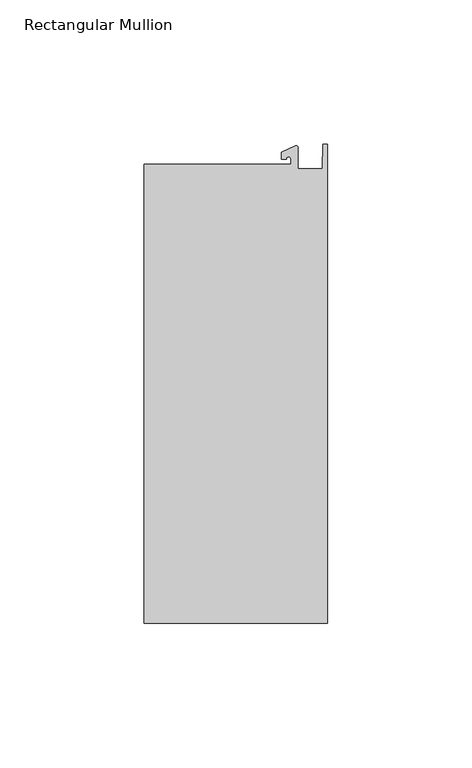
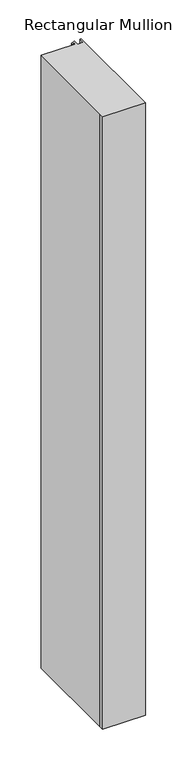
"""IFC4 building model written with IfcOpenShell, lengths in millimetres: member geometry, Rectangular Mullion."""

import ifcopenshell
import ifcopenshell.guid

model = None  # the IFC model being written
_history = None  # IfcOwnerHistory: only IFC2X3 demands one
_inside = {}  # id of a spatial element -> (the spatial element, [elements in it])
_under = {}  # id of a project, library or spatial element -> (it, [spatial elements below it])
_declared = {}  # id of a project -> (the project, [libraries it declares])
_typed = {}  # id of a type object -> (the type object, [elements of that type])
_made_of = {}  # id of a material, layer set ... -> (it, [elements and type objects made of it])


def new_model(schema):
    """Start an empty IFC model of exactly this schema.

    Asked for "IFC4X3", IfcOpenShell would pick the latest addendum, in which some entities
    have other attributes; the version numbers below select the first issue.
    IFC2X3 requires an IfcOwnerHistory on every rooted entity: one is made here for all.
    """
    global model, _history
    if schema == "IFC4X3":
        model = ifcopenshell.file(schema_version=(4, 3, 0, 0))
    else:
        model = ifcopenshell.file(schema=schema)
    _inside.clear()
    _under.clear()
    _declared.clear()
    _typed.clear()
    _made_of.clear()
    _history = None
    if model.schema == "IFC2X3":
        org = make("IfcOrganization", Name="unknown")
        user = make(
            "IfcPersonAndOrganization",
            ThePerson=make("IfcPerson", FamilyName="unknown"),
            TheOrganization=org,
        )
        app = make(
            "IfcApplication",
            ApplicationDeveloper=org,
            Version="unknown",
            ApplicationFullName="unknown",
            ApplicationIdentifier="unknown",
        )
        _history = make(
            "IfcOwnerHistory",
            OwningUser=user,
            OwningApplication=app,
            ChangeAction="ADDED",
            CreationDate=0,
        )
    return model


def make(cls, **values):
    """One entity of the class cls with the attributes given. An attribute that is None is left unset."""
    return model.create_entity(
        cls, **{name: value for name, value in values.items() if value is not None}
    )


def rooted(cls, **values):
    """An entity with a GlobalId (a new one), such as an element, a storey or a relation."""
    return make(cls, GlobalId=ifcopenshell.guid.new(), OwnerHistory=_history, **values)


def si_unit(unit_type, name, prefix=None):
    """IfcSIUnit, for example si_unit("LENGTHUNIT", "METRE", prefix="MILLI")."""
    return make("IfcSIUnit", UnitType=unit_type, Prefix=prefix, Name=name)


def assignment(units):
    """IfcUnitAssignment: the units of a project."""
    return None if units is None else make("IfcUnitAssignment", Units=units)


def point(xyz):
    """IfcCartesianPoint."""
    return None if xyz is None else make("IfcCartesianPoint", Coordinates=xyz)


def direction(xyz):
    """IfcDirection."""
    return None if xyz is None else make("IfcDirection", DirectionRatios=xyz)


def frame(location, z_axis=None, x_axis=None):
    """IfcAxis2Placement3D, a coordinate frame: its origin and axes. An axis left out is left unset."""
    return make(
        "IfcAxis2Placement3D",
        Location=point(location),
        Axis=direction(z_axis),
        RefDirection=direction(x_axis),
    )


def frame_2d(location, x_axis=None):
    """IfcAxis2Placement2D, a coordinate frame in the plane: its origin and x axis."""
    return make(
        "IfcAxis2Placement2D", Location=point(location), RefDirection=direction(x_axis)
    )


def origin():
    """The frame at (0, 0, 0) with its axes left unset."""
    return frame((0.0, 0.0, 0.0))


def place(relative_to, where):
    """IfcLocalPlacement: puts the frame where relative to a parent placement (None: the world)."""
    return make(
        "IfcLocalPlacement", PlacementRelTo=relative_to, RelativePlacement=where
    )


def context(
    kind, dimensions, precision=None, world=None, true_north=None, identifier=None
):
    """IfcGeometricRepresentationContext, for example the 3D "Model" context."""
    return make(
        "IfcGeometricRepresentationContext",
        ContextIdentifier=identifier,
        ContextType=kind,
        CoordinateSpaceDimension=dimensions,
        Precision=precision,
        WorldCoordinateSystem=world,
        TrueNorth=true_north,
    )


def project(units=None, contexts=None):
    """IfcProject with its units and contexts."""
    return rooted(
        "IfcProject",
        Name="project",
        RepresentationContexts=contexts,
        UnitsInContext=assignment(units),
    )


def spatial(cls, under=None, at=None, **own):
    """A site, building, storey or space (cls), placed at a placement, below another one or the project."""
    s = rooted(cls, ObjectPlacement=at, **own)
    if under is not None:
        _under.setdefault(under.id(), (under, []))[1].append(s)
    return s


def polyline(points):
    """IfcPolyline through the points."""
    return make("IfcPolyline", Points=[point(p) for p in points])


def circle_curve(where, radius):
    """IfcCircle in the frame where."""
    return make("IfcCircle", Position=where, Radius=radius)


def trimmed(basis, trim1, trim2, sense, master):
    """IfcTrimmedCurve: the piece of a basis curve between two trims."""
    return make(
        "IfcTrimmedCurve",
        BasisCurve=basis,
        Trim1=trim1,
        Trim2=trim2,
        SenseAgreement=sense,
        MasterRepresentation=master,
    )


def segment(curve, same_sense, transition):
    """IfcCompositeCurveSegment."""
    return make(
        "IfcCompositeCurveSegment",
        Transition=transition,
        SameSense=same_sense,
        ParentCurve=curve,
    )


def composite_curve(segments, self_intersect=None):
    """IfcCompositeCurve: segments joined end to end."""
    return make("IfcCompositeCurve", Segments=segments, SelfIntersect=self_intersect)


def outline(outer, holes=None, kind="AREA"):
    """IfcArbitraryClosedProfileDef: a profile drawn as a closed curve; with holes, ...WithVoids."""
    if holes is None:
        return make("IfcArbitraryClosedProfileDef", ProfileType=kind, OuterCurve=outer)
    return make(
        "IfcArbitraryProfileDefWithVoids",
        ProfileType=kind,
        OuterCurve=outer,
        InnerCurves=holes,
    )


def extrude(swept, where, along, depth):
    """IfcExtrudedAreaSolid: the profile swept, set in the frame where, extruded along a direction by depth."""
    return make(
        "IfcExtrudedAreaSolid",
        SweptArea=swept,
        Position=where,
        ExtrudedDirection=direction(along),
        Depth=depth,
    )


def shape(context_of_items, identifier, shape_type, items):
    """IfcShapeRepresentation: the items that make up one representation, for example the "Body"."""
    return make(
        "IfcShapeRepresentation",
        ContextOfItems=context_of_items,
        RepresentationIdentifier=identifier,
        RepresentationType=shape_type,
        Items=items,
    )


def source(mapping_origin, context_of_items, identifier, shape_type, items):
    """IfcRepresentationMap: a shape defined once, which mapped items show again and again."""
    return make(
        "IfcRepresentationMap",
        MappingOrigin=mapping_origin,
        MappedRepresentation=shape(context_of_items, identifier, shape_type, items),
    )


def transform(
    local_origin,
    x_axis=None,
    y_axis=None,
    z_axis=None,
    scale=None,
    scale2=None,
    scale3=None,
    uniform=True,
):
    """IfcCartesianTransformationOperator3D, or its non-uniform kind. x_axis, y_axis, z_axis: its Axis1, 2, 3."""
    if uniform:
        return make(
            "IfcCartesianTransformationOperator3D",
            Axis1=direction(x_axis),
            Axis2=direction(y_axis),
            LocalOrigin=point(local_origin),
            Scale=scale,
            Axis3=direction(z_axis),
        )
    return make(
        "IfcCartesianTransformationOperator3DnonUniform",
        Axis1=direction(x_axis),
        Axis2=direction(y_axis),
        LocalOrigin=point(local_origin),
        Scale=scale,
        Axis3=direction(z_axis),
        Scale2=scale2,
        Scale3=scale3,
    )


def mapped(mapping_source, mapping_target):
    """IfcMappedItem: shows the shape of a source again, moved by a transform."""
    return make(
        "IfcMappedItem", MappingSource=mapping_source, MappingTarget=mapping_target
    )


def made_of(thing, what):
    """Note that an element or type object is made of a material, layer set ...; save() writes the relation."""
    if what is not None:
        _made_of.setdefault(what.id(), (what, []))[1].append(thing)
    return thing


def element(
    cls,
    number,
    at=None,
    inside=None,
    cuts=None,
    type_object=None,
    material=None,
    context=None,
    identifier="Body",
    shape_type=None,
    held_by="IfcProductDefinitionShape",
    body=None,
    shapes=None,
    **own,
):
    """One element of the class cls, such as IfcWall. Its Tag is "e" and its number.

    at: its placement. inside: the storey or other place that contains it. cuts: it is an
    opening in that element (IfcRelVoidsElement). A single representation is given by context,
    identifier, shape_type and body (its items); several are given by shapes. held_by: the class
    of the entity that holds the representations. save() writes the other relations.
    """
    e = rooted(cls, Tag="e%d" % number, ObjectPlacement=at, **own)
    if body is not None:
        shapes = [shape(context, identifier, shape_type, body)]
    if shapes is not None:
        e.Representation = make(held_by, Representations=shapes)
    if inside is not None:
        _inside.setdefault(inside.id(), (inside, []))[1].append(e)
    if cuts is not None:
        rooted(
            "IfcRelVoidsElement", RelatingBuildingElement=cuts, RelatedOpeningElement=e
        )
    if type_object is not None:
        _typed.setdefault(type_object.id(), (type_object, []))[1].append(e)
    return made_of(e, material)


def aggregate(whole, parts):
    """IfcRelAggregates: a whole, such as a stair, and the parts it consists of."""
    return rooted("IfcRelAggregates", RelatingObject=whole, RelatedObjects=parts)


def save(model, path):
    """Write the relations noted so far, then the file.

    IfcRelAggregates (storeys below a building ...), IfcRelContainedInSpatialStructure (elements
    in a storey), IfcRelDefinesByType, IfcRelAssociatesMaterial and IfcRelDeclares: one each for
    every whole, place, type object, material and project.
    """
    for whole, parts in _under.values():
        aggregate(whole, parts)
    for where, things in _inside.values():
        rooted(
            "IfcRelContainedInSpatialStructure",
            RelatedElements=things,
            RelatingStructure=where,
        )
    for kind, things in _typed.values():
        rooted("IfcRelDefinesByType", RelatedObjects=things, RelatingType=kind)
    for what, things in _made_of.values():
        rooted("IfcRelAssociatesMaterial", RelatedObjects=things, RelatingMaterial=what)
    for by, libraries in _declared.values():
        rooted("IfcRelDeclares", RelatingContext=by, RelatedDefinitions=libraries)
    model.write(path)


def rectangular_mullion_0c180983(model_context):
    return source(origin(), model_context, "Body", "SweptSolid", [
        extrude(outline(composite_curve([segment(polyline([(-12.6979967, 25.4849312), (-12.6979967, 27.2067741)]), True, "CONTINUOUS"), segment(trimmed(circle_curve(frame_2d((-13.4917467, 27.2067741)), 0.79375), [point((-12.6979967, 27.2067741))], [point((-14.2854967, 27.2067741))], True, "CARTESIAN"), True, "CONTINUOUS"), segment(polyline([(-14.2854967, 27.2067741), (-15.8729967, 27.2067741), (-15.8729967, 29.5689734), (-11.0330867, 31.8258605)]), True, "CONTINUOUS"), segment(trimmed(circle_curve(frame_2d((-10.8183967, 31.3654561)), 0.508), [point((-11.0330867, 31.8258605))], [point((-10.3103967, 31.3654561))], False, "CARTESIAN"), True, "CONTINUOUS"), segment(polyline([(-10.3103967, 31.3654561), (-10.3103967, 23.9227662), (-1.7144124, 23.9227662), (-1.5658966, 32.288874), (0.0, 32.288874), (0.0, -133.4428688), (-63.5, -133.4428688), (-63.5, -125.6958688), (-63.5, 25.4849312), (-12.6979967, 25.4849312)]), True, "CONTINUOUS")], self_intersect=False)), frame((0.0, 0.0, -965.2), z_axis=(0.0, 0.0, 1.0), x_axis=(1.0, 0.0, 0.0)), (0.0, 0.0, 1.0), 965.2),
    ])


if __name__ == "__main__":
    model = new_model("IFC4")
    model_context = context("Model", 3, world=origin())
    ifc_project = project(units=[si_unit("LENGTHUNIT", "METRE", prefix="MILLI")], contexts=[model_context])
    site = spatial("IfcSite", under=ifc_project)
    building = spatial("IfcBuilding", under=site)
    placement = place(None, origin())
    rectangular_mullion_shape = rectangular_mullion_0c180983(model_context)
    element("IfcMember", 1, ObjectType="Rectangular Mullion", at=placement, inside=building, context=model_context, shape_type="MappedRepresentation", body=[
        mapped(rectangular_mullion_shape, transform((0.0, 0.0, 0.0), x_axis=(1.0, 0.0, 0.0), y_axis=(0.0, 1.0, 0.0), z_axis=(0.0, 0.0, 1.0))),
    ])
    save(model, "model.ifc")
